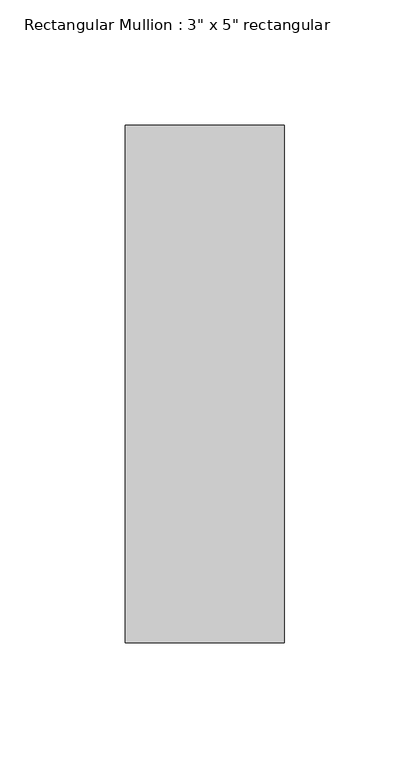
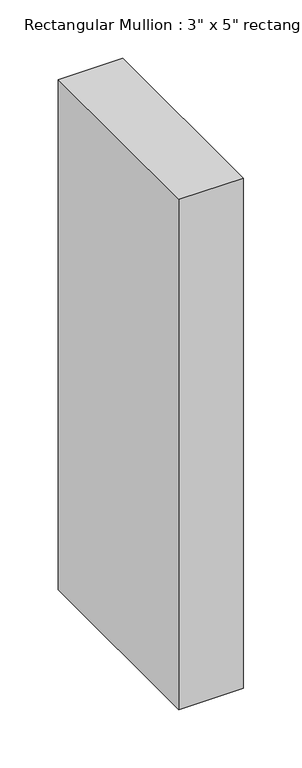
"""IFC4 building model written with IfcOpenShell, lengths in millimetres: member geometry."""

from ifc_helpers import new_model, si_unit, frame, origin, place, context, project, spatial, polyline, outline, extrude, source, transform, mapped, element, save


def member_8f3b1408(model_context):
    return source(origin(), model_context, "Body", "SweptSolid", [
        extrude(outline(polyline([(0.0, 90.551), (0.0, -115.951), (-63.5, -115.951), (-63.5, 90.551), (0.0, 90.551)])), frame((0.0, 0.0, -533.4), z_axis=(0.0, 0.0, 1.0), x_axis=(1.0, 0.0, 0.0)), (0.0, 0.0, 1.0), 533.4),
    ])


if __name__ == "__main__":
    model = new_model("IFC4")
    model_context = context("Model", 3, world=origin())
    ifc_project = project(units=[si_unit("LENGTHUNIT", "METRE", prefix="MILLI")], contexts=[model_context])
    site = spatial("IfcSite", under=ifc_project)
    building = spatial("IfcBuilding", under=site)
    placement = place(None, origin())
    member_shape = member_8f3b1408(model_context)
    element("IfcMember", 1, ObjectType="Rectangular Mullion : 3\" x 5\" rectangular", at=placement, inside=building, context=model_context, shape_type="MappedRepresentation", body=[
        mapped(member_shape, transform((0.0, 0.0, 0.0), x_axis=(1.0, 0.0, 0.0), y_axis=(0.0, 1.0, 0.0), z_axis=(0.0, 0.0, 1.0))),
    ])
    save(model, "model.ifc")
